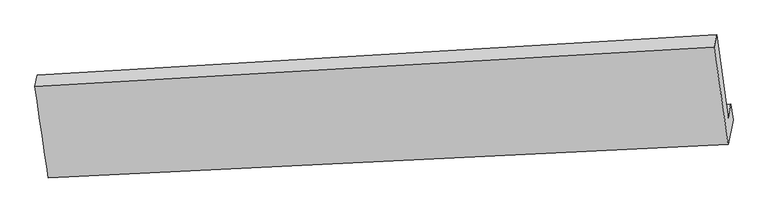
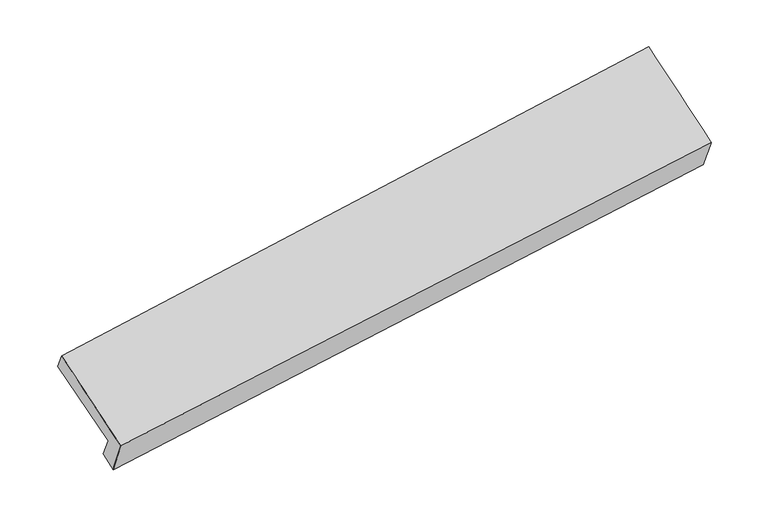
"""IFC4 building model written with IfcOpenShell, lengths in millimetres: proxy geometry."""

from ifc_helpers import new_model, si_unit, frame, origin, place, context, project, spatial, source, transform, mapped, element, save
from ifc_brep_helpers import plane_surface, spline_surface, advanced_brep


def generic_models_0fe389a0(model_context):
    return source(origin(), model_context, "Body", "AdvancedBrep", [
        advanced_brep(
        [(-5307.3388793, -1694.9596776, 1298.3234852), (-5329.0959129, -1804.1062551, 1486.1257041), (-352.3248558, -1543.1806503, 2218.6425908), (-331.8184479, -1440.307976, 2041.6355153), (-5289.6279778, -1805.4893875, 1220.0278677), (-315.6186712, -1557.4456522, 1975.4343945), (-5328.6639515, -1982.3214072, 1549.8724125), (-351.3827136, -1736.8599458, 2284.1422183), (-5426.0635013, -1315.1794169, 1958.272438), (-454.7482322, -1025.2588848, 2719.8422334), (-5408.9818255, -1229.4872912, 1810.8269414), (-436.5661933, -934.0466657, 2562.8986304)],
        [
            (0, 1),
            (1, 2),
            (2, 3),
            (3, 0),
            (4, 0),
            (3, 5),
            (5, 4),
            (6, 4),
            (5, 7),
            (7, 6),
            (8, 6),
            (7, 9),
            (9, 8),
            (10, 8),
            (9, 11),
            (11, 10),
            (1, 10),
            (11, 2),
        ],
        [
            plane_surface(frame((-5318.2173961, -1749.5329663, 1392.2245947), z_axis=(-0.11727118002216114, 0.8644651906462782, 0.4888224672589262), x_axis=(-0.09966457319299608, -0.49997840869351295, 0.860284001763697))),
            spline_surface(1, 1, [[(-5289.6279778, -1805.4893875, 1220.0278677), (-315.6186712, -1557.4456522, 1975.4343945)], [(-5307.3388793, -1694.9596776, 1298.3234852), (-331.8184479, -1440.307976, 2041.6355153)]], [2, 2], [2, 2], [0.0, 1.0], [0.0, 1.0]),
            spline_surface(1, 1, [[(-5328.6639515, -1982.3214072, 1549.8724125), (-351.3827136, -1736.8599458, 2284.1422183)], [(-5289.6279778, -1805.4893875, 1220.0278677), (-315.6186712, -1557.4456522, 1975.4343945)]], [2, 2], [2, 2], [0.0, 1.0], [0.0, 1.0]),
            spline_surface(1, 1, [[(-5426.0635013, -1315.1794169, 1958.272438), (-454.7482322, -1025.2588848, 2719.8422334)], [(-5328.6639515, -1982.3214072, 1549.8724125), (-351.3827136, -1736.8599458, 2284.1422183)]], [2, 2], [2, 2], [0.0, 1.0], [0.0, 1.0]),
            plane_surface(frame((-5417.5226634, -1272.333354, 1884.5496897), z_axis=(-0.12509481669638453, 0.8640248054509914, 0.48766015051578165), x_axis=(-0.09966457319317477, -0.49997840869352006, 0.8602840017636721))),
            spline_surface(1, 1, [[(-5329.0959129, -1804.1062551, 1486.1257041), (-352.3248558, -1543.1806503, 2218.6425908)], [(-5408.9818255, -1229.4872912, 1810.8269414), (-436.5661933, -934.0466657, 2562.8986304)]], [2, 2], [2, 2], [0.0, 1.0], [0.0, 1.0]),
            plane_surface(frame((-373.7431857, -1372.8499625, 2300.4325971), z_axis=(0.9878148198661851, 0.05414983178982815, 0.14590982615941195), x_axis=(0.12294142202699805, -0.8463677973583837, -0.518215166069749))),
            plane_surface(frame((-5348.2953414, -1638.5905726, 1553.9081415), z_axis=(-0.9877391311270286, -0.05469568826351826, -0.14621829750685367), x_axis=(0.0996645731930795, 0.4999784086935175, -0.8602840017636847))),
        ],
        [
            (0, [[1, 2, 3, 4]]),
            (1, [[5, -4, 6, 7]]),
            (2, [[8, -7, 9, 10]]),
            (3, [[11, -10, 12, 13]]),
            (4, [[14, -13, 15, 16]]),
            (5, [[17, -16, 18, -2]]),
            (6, [[-12, -9, -6, -3, -18, -15]]),
            (7, [[-1, -5, -8, -11, -14, -17]]),
        ],
    ),
    ])


if __name__ == "__main__":
    model = new_model("IFC4")
    model_context = context("Model", 3, world=origin())
    ifc_project = project(units=[si_unit("LENGTHUNIT", "METRE", prefix="MILLI")], contexts=[model_context])
    site = spatial("IfcSite", under=ifc_project)
    building = spatial("IfcBuilding", under=site)
    placement = place(None, origin())
    generic_models_shape = generic_models_0fe389a0(model_context)
    element("IfcBuildingElementProxy", 1, Name="Generic Models", at=placement, inside=building, context=model_context, shape_type="MappedRepresentation", body=[
        mapped(generic_models_shape, transform((0.0, 0.0, 0.0), x_axis=(1.0, 0.0, 0.0), y_axis=(0.0, 1.0, 0.0), z_axis=(0.0, 0.0, 1.0))),
    ])
    save(model, "model.ifc")
